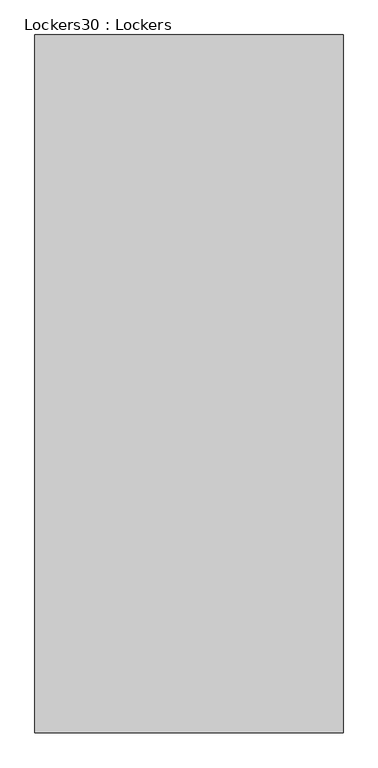
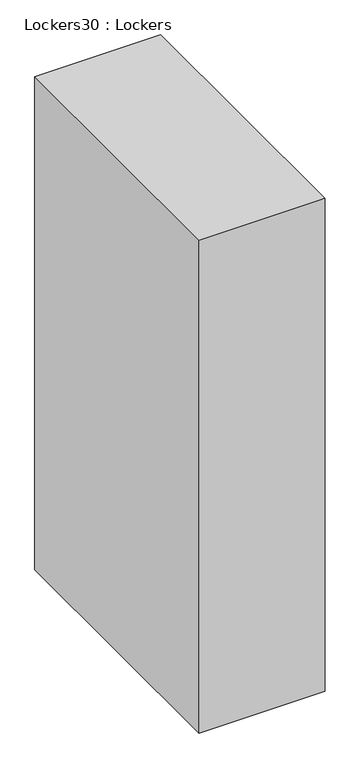
"""IFC4 building model written with IfcOpenShell, lengths in millimetres: furniture geometry, Lockers30 : Lockers."""

from ifc_helpers import new_model, si_unit, origin, origin_with_axes, place, context, project, spatial, polyline, outline, extrude, source, transform, mapped, element, save


def lockers30_lockers_636bc189(model_context):
    return source(origin(), model_context, "Body", "SweptSolid", [
        extrude(outline(polyline([(-451635.2902128, -61628.1068258), (-451635.2902128, -62627.7143135), (-452076.6152128, -62627.7143135), (-452076.6152128, -61628.1068258), (-451635.2902128, -61628.1068258)])), origin_with_axes(), (0.0, 0.0, 1.0), 1828.8),
    ])


if __name__ == "__main__":
    model = new_model("IFC4")
    model_context = context("Model", 3, world=origin())
    ifc_project = project(units=[si_unit("LENGTHUNIT", "METRE", prefix="MILLI")], contexts=[model_context])
    site = spatial("IfcSite", under=ifc_project)
    building = spatial("IfcBuilding", under=site)
    placement = place(None, origin())
    lockers30_lockers_shape = lockers30_lockers_636bc189(model_context)
    element("IfcFurniture", 1, ObjectType="Lockers30 : Lockers", at=placement, inside=building, context=model_context, shape_type="MappedRepresentation", body=[
        mapped(lockers30_lockers_shape, transform((0.0, 0.0, 0.0), x_axis=(1.0, 0.0, 0.0), y_axis=(0.0, 1.0, 0.0), z_axis=(0.0, 0.0, 1.0))),
    ])
    save(model, "model.ifc")
